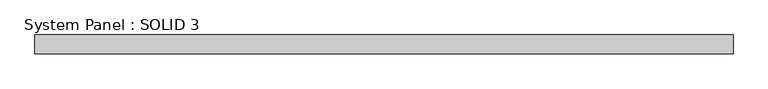
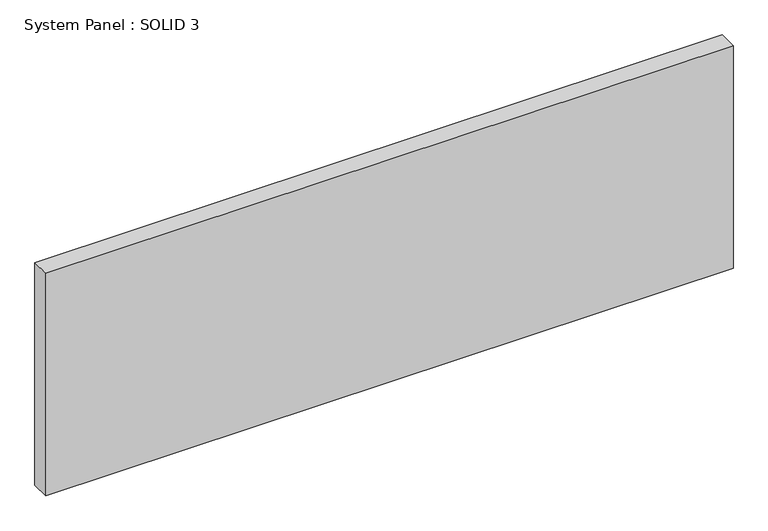
"""IFC4 building model written with IfcOpenShell, lengths in millimetres: plate geometry, System Panel : SOLID 3."""

from ifc_helpers import new_model, si_unit, origin, origin_with_axes, place, context, project, spatial, polyline, outline, extrude, source, transform, mapped, element, save


def system_panel_solid_3_07b7ef93(model_context):
    return source(origin(), model_context, "Body", "SweptSolid", [
        extrude(outline(polyline([(1465.0, 80.0), (-1465.0, 80.0), (-1465.0, 160.0), (1465.0, 160.0), (1465.0, 80.0)])), origin_with_axes(), (0.0, 0.0, 1.0), 1003.0),
    ])


if __name__ == "__main__":
    model = new_model("IFC4")
    model_context = context("Model", 3, world=origin())
    ifc_project = project(units=[si_unit("LENGTHUNIT", "METRE", prefix="MILLI")], contexts=[model_context])
    site = spatial("IfcSite", under=ifc_project)
    building = spatial("IfcBuilding", under=site)
    placement = place(None, origin())
    system_panel_solid_3_shape = system_panel_solid_3_07b7ef93(model_context)
    element("IfcPlate", 1, ObjectType="System Panel : SOLID 3", at=placement, inside=building, context=model_context, shape_type="MappedRepresentation", body=[
        mapped(system_panel_solid_3_shape, transform((0.0, 0.0, 0.0), x_axis=(1.0, 0.0, 0.0), y_axis=(0.0, 1.0, 0.0), z_axis=(0.0, 0.0, 1.0))),
    ])
    save(model, "model.ifc")
